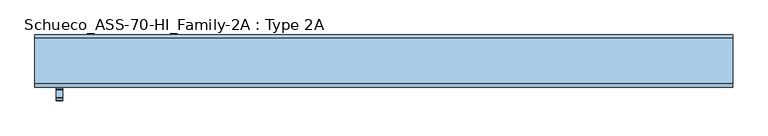
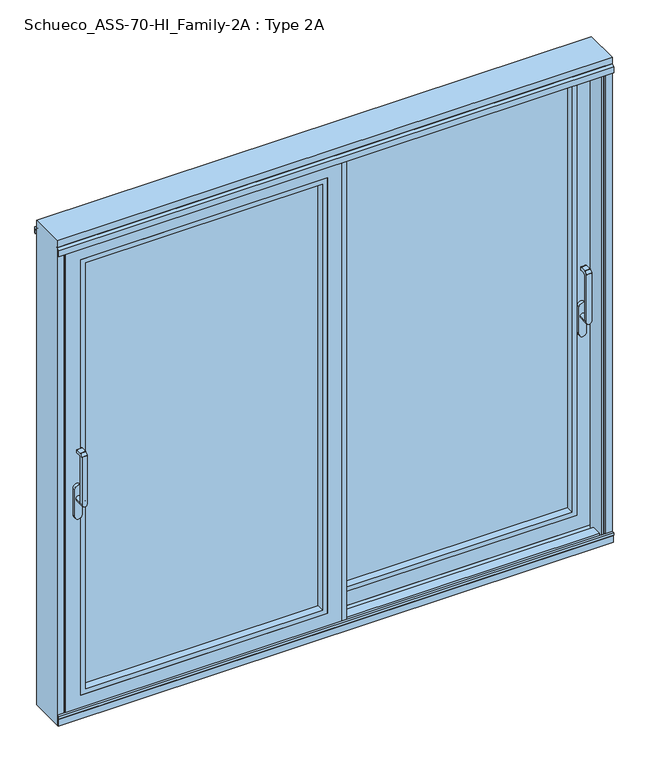
"""IFC4 building model written with IfcOpenShell, lengths in millimetres: window geometry, Schueco_ASS-70-HI_Family-2A : Type 2A."""

from ifc_helpers import new_model, si_unit, point, frame, frame_2d, origin, place, context, project, spatial, polyline, circle_curve, trimmed, segment, composite_curve, outline, extrude, faceted_brep, source, transform, mapped, element, save
from ifc_brep_helpers import plane_surface, cylinder_surface, revolved_surface, advanced_brep


def schueco_ass_70_hi_family_2a_type_2a_b28b3c16(model_context):
    return source(origin(), model_context, "Body", "SolidModel", [
        advanced_brep(
        [(1164.9498734, 18.0325359, 1004.0), (1164.9498734, 18.0325359, 1229.2360009), (1140.9498734, 18.0325359, 1229.2360009), (1140.9498734, 18.0325359, 1004.0), (1164.9498734, 66.0325359, 1004.005052), (1140.9498734, 66.0325359, 1004.005052), (1140.9498734, 30.0325359, 1004.005052), (1164.9498734, 30.0325359, 1004.005052), (1140.9498734, 18.6183224, 1230.6502145), (1140.9498734, 29.3823825, 1241.4142746), (1140.9498734, 30.796596, 1242.000061), (1140.9498734, 58.0325359, 1242.000061), (1140.9498734, 60.0325359, 1240.000061), (1140.9498734, 60.0325359, 1229.000061), (1140.9498734, 58.0325359, 1227.000061), (1140.9498734, 37.3831959, 1227.000061), (1140.9498734, 30.0325359, 1219.6494011), (1164.9498734, 30.0325359, 1219.6494011), (1164.9498734, 37.3831959, 1227.000061), (1164.9498734, 58.0325359, 1227.000061), (1164.9498734, 60.0325359, 1229.000061), (1164.9498734, 60.0325359, 1240.000061), (1164.9498734, 58.0325359, 1242.000061), (1164.9498734, 30.796596, 1242.000061), (1164.9498734, 29.3823825, 1241.4142746), (1164.9498734, 18.6183224, 1230.6502145)],
        [
            (0, 1),
            (1, 2),
            (2, 3),
            (3, 0, circle_curve(frame((1152.9498734, 18.0325359, 1004.005052), z_axis=(0.0, -1.0, 0.0), x_axis=(-1.0, 0.0, 0.0)), 12.0)),
            (4, 5, circle_curve(frame((1152.9498734, 66.0325359, 1004.005052), z_axis=(0.0, 1.0, 0.0), x_axis=(-1.0, 0.0, 0.0)), 12.0)),
            (5, 4, circle_curve(frame((1152.9498734, 66.0325359, 1004.005052), z_axis=(0.0, 1.0, 0.0), x_axis=(-1.0, 0.0, 0.0)), 12.0)),
            (3, 6),
            (6, 5),
            (4, 7),
            (7, 0),
            (6, 7, circle_curve(frame((1152.9498734, 30.0325359, 1004.005052), z_axis=(0.0, 1.0, 0.0), x_axis=(-1.0, 0.0, 0.0)), 12.0)),
            (2, 8, circle_curve(frame((1140.9498734, 20.0325359, 1229.2360009), z_axis=(-1.0, 0.0, 0.0), x_axis=(0.0, 0.0, -1.0)), 2.0)),
            (8, 9),
            (9, 10, circle_curve(frame((1140.9498734, 30.796596, 1240.000061), z_axis=(-1.0, 0.0, 0.0), x_axis=(0.0, 0.0, -1.0)), 2.0)),
            (10, 11),
            (11, 12, circle_curve(frame((1140.9498734, 58.0325359, 1240.000061), z_axis=(-1.0, 0.0, 0.0), x_axis=(0.0, 0.0, -1.0)), 2.0)),
            (12, 13),
            (13, 14, circle_curve(frame((1140.9498734, 58.0325359, 1229.000061), z_axis=(-1.0, 0.0, 0.0), x_axis=(0.0, 0.0, -1.0)), 2.0)),
            (14, 15),
            (15, 16, circle_curve(frame((1140.9498734, 37.3831959, 1219.6494011), z_axis=(1.0, 0.0, 0.0), x_axis=(0.0, 0.0, -1.0)), 7.35066)),
            (16, 6),
            (7, 17),
            (17, 18, circle_curve(frame((1164.9498734, 37.3831959, 1219.6494011), z_axis=(-1.0, 0.0, 0.0), x_axis=(0.0, 0.0, -1.0)), 7.35066)),
            (18, 19),
            (19, 20, circle_curve(frame((1164.9498734, 58.0325359, 1229.000061), z_axis=(1.0, 0.0, 0.0), x_axis=(0.0, 0.0, -1.0)), 2.0)),
            (20, 21),
            (21, 22, circle_curve(frame((1164.9498734, 58.0325359, 1240.000061), z_axis=(1.0, 0.0, 0.0), x_axis=(0.0, 0.0, -1.0)), 2.0)),
            (22, 23),
            (23, 24, circle_curve(frame((1164.9498734, 30.796596, 1240.000061), z_axis=(1.0, 0.0, 0.0), x_axis=(0.0, 0.0, -1.0)), 2.0)),
            (24, 25),
            (25, 1, circle_curve(frame((1164.9498734, 20.0325359, 1229.2360009), z_axis=(1.0, 0.0, 0.0), x_axis=(0.0, 0.0, -1.0)), 2.0)),
            (16, 17),
            (15, 18),
            (14, 19),
            (13, 20),
            (12, 21),
            (11, 22),
            (10, 23),
            (9, 24),
            (8, 25),
        ],
        [
            plane_surface(frame((1140.9498734, 18.0325359, 1004.005052), z_axis=(0.0, -1.0, 0.0), x_axis=(0.0, 0.0, 1.0))),
            plane_surface(frame((1140.9498734, 66.0325359, 1004.005052), z_axis=(0.0, 1.0, 0.0), x_axis=(0.0, 0.0, -1.0))),
            cylinder_surface(frame((1152.9498734, 66.0325359, 1004.005052), z_axis=(0.0, -1.0, 0.0), x_axis=(-1.0, 0.0, 0.0)), 12.0),
            plane_surface(frame((1140.9498734, 18.0325359, 1009.7503433), z_axis=(-1.0, 0.0, 0.0), x_axis=(0.0, 0.0, -1.0))),
            plane_surface(frame((1164.9498734, 18.0325359, 1009.7503433), z_axis=(1.0, 0.0, 0.0), x_axis=(0.0, 0.0, 1.0))),
            plane_surface(frame((1140.9498734, 30.0325359, 1004.0), z_axis=(0.0, 1.0, 0.0), x_axis=(1.0, 0.0, 0.0))),
            revolved_surface(polyline([(1164.9498734, 37.3831959, 1212.2987411), (1140.9498734, 37.3831959, 1212.2987411)]), (1164.9498734, 37.3831959, 1219.6494011), (1.0, 0.0, 0.0)),
            plane_surface(frame((1140.9498734, 37.3831959, 1227.000061), z_axis=(0.0, 0.0, -1.0), x_axis=(1.0, 0.0, 0.0))),
            cylinder_surface(frame((1164.9498734, 58.0325359, 1229.000061), z_axis=(-1.0, 0.0, 0.0), x_axis=(0.0, 0.0, -1.0)), 2.0),
            plane_surface(frame((1140.9498734, 60.0325359, 1229.000061), z_axis=(0.0, 1.0, 0.0), x_axis=(1.0, 0.0, 0.0))),
            cylinder_surface(frame((1164.9498734, 58.0325359, 1240.000061), z_axis=(-1.0, 0.0, 0.0), x_axis=(0.0, 0.0, -1.0)), 2.0),
            plane_surface(frame((1140.9498734, 58.0325359, 1242.000061), z_axis=(0.0, 0.0, 1.0), x_axis=(1.0, 0.0, 0.0))),
            cylinder_surface(frame((1164.9498734, 30.796596, 1240.000061), z_axis=(-1.0, 0.0, 0.0), x_axis=(0.0, 0.0, -1.0)), 2.0),
            plane_surface(frame((1140.9498734, 29.3823825, 1241.4142746), z_axis=(0.0, -0.7071067811865422, 0.7071067811865528), x_axis=(1.0, 0.0, 0.0))),
            cylinder_surface(frame((1164.9498734, 20.0325359, 1229.2360009), z_axis=(-1.0, 0.0, 0.0), x_axis=(0.0, 0.0, -1.0)), 2.0),
        ],
        [
            (0, [[1, 2, 3, 4]]),
            (1, [[5, 6]]),
            (2, [[7, 8, -5, 9, 10, -4]]),
            (2, [[-8, 11, -9, -6]]),
            (3, [[12, 13, 14, 15, 16, 17, 18, 19, 20, 21, -7, -3]]),
            (4, [[-1, -10, 22, 23, 24, 25, 26, 27, 28, 29, 30, 31]]),
            (5, [[32, -22, -11, -21]]),
            (6, [[33, -23, -32, -20]]),
            (7, [[34, -24, -33, -19]]),
            (8, [[35, -25, -34, -18]]),
            (9, [[36, -26, -35, -17]]),
            (10, [[37, -27, -36, -16]]),
            (11, [[38, -28, -37, -15]]),
            (12, [[39, -29, -38, -14]]),
            (13, [[40, -30, -39, -13]]),
            (14, [[-2, -31, -40, -12]]),
        ],
    ),
        extrude(outline(composite_curve([segment(polyline([(922.2823932, 1169.6998734), (1049.0099288, 1169.6998734)]), True, "CONTINUOUS"), segment(trimmed(circle_curve(frame_2d((1049.0099288, 1152.9498734)), 16.75), [point((1049.0099288, 1169.6998734))], [point((1049.0099288, 1136.1998734))], False, "CARTESIAN"), True, "CONTINUOUS"), segment(polyline([(1049.0099288, 1136.1998734), (922.2823932, 1136.1998734)]), True, "CONTINUOUS"), segment(trimmed(circle_curve(frame_2d((922.2823932, 1152.9498734)), 16.75), [point((922.2823932, 1136.1998734))], [point((922.2823932, 1169.6998734))], False, "CARTESIAN"), True, "CONTINUOUS")], self_intersect=False)), frame((0.0, 66.0325359, 0.0), z_axis=(0.0, 1.0, 0.0), x_axis=(0.0, 0.0, 1.0)), (0.0, 0.0, 1.0), 13.9999695),
        extrude(outline(polyline([(-34.0016236, 150.0), (-34.0016236, 144.5000331), (-50.201528, 144.5000331), (-50.201528, 80.0102083), (0.0, 80.0102083), (0.0, 65.7878184), (-54.0015931, 65.7878184), (-54.0015931, 150.0), (-34.0016236, 150.0)])), frame((0.0, 0.0, -6.9999052), z_axis=(0.0, 0.0, 1.0), x_axis=(1.0, 0.0, 0.0)), (0.0, 0.0, 1.0), 2187.9998104),
        extrude(outline(polyline([(2114.8998417, 1134.8998417), (2114.8998417, 32.1001583), (59.1001583, 32.1001583), (59.1001583, 1134.8998417), (2114.8998417, 1134.8998417)]), holes=[polyline([(2092.899857, 54.100143), (2092.899857, 1112.899857), (81.100143, 1112.899857), (81.100143, 54.100143), (2092.899857, 54.100143)])]), frame((0.0, 80.0102083, 0.0), z_axis=(0.0, 1.0, 0.0), x_axis=(0.0, 0.0, 1.0)), (0.0, 0.0, 1.0), 35.0222836),
        extrude(outline(polyline([(40.0984318, 115.0324919), (40.0984318, 141.0223361), (1126.9015682, 141.0223361), (1126.9015682, 115.0324919), (40.0984318, 115.0324919)])), frame((0.0, 0.0, 67.0984318), z_axis=(0.0, 0.0, 1.0), x_axis=(1.0, 0.0, 0.0)), (0.0, 0.0, 1.0), 2039.8031365),
        faceted_brep([(1201.0016236, 144.5000331, 2181.0016236), (1201.0016236, 144.5000331, -7.0016236), (1201.0016236, 150.0, -7.0016236), (1201.0016236, 150.0, 2181.0016236), (-34.0016236, 150.0, 2181.0016236), (-34.0016236, 150.0, -7.0016236), (1113.0016236, 150.0, 2093.0016236), (53.9983764, 150.0, 2093.0016236), (53.9983764, 150.0, 80.9983764), (1113.0016236, 150.0, 80.9983764), (-34.0016236, 144.5000331, -7.0016236), (-34.0016236, 144.5000331, 2181.0016236), (-3.9999052, 144.5000331, 2150.9999052), (1170.9999052, 144.5000331, 2150.9999052), (1170.9999052, 144.5000331, 23.0000948), (-3.9999052, 144.5000331, 23.0000948), (1170.9999052, 85.5102083, 2150.9999052), (1170.9999052, 85.5102083, 23.0000948), (-3.9999052, 85.5102083, 23.0000948), (-33.9999052, 85.5102083, 2180.9999052), (1200.9999052, 85.5102083, 2180.9999052), (1200.9999052, 85.5102083, -6.9999052), (-33.9999052, 85.5102083, -6.9999052), (-3.9999052, 85.5102083, 2150.9999052), (1200.9999052, 80.0102083, 2180.9999052), (1200.9999052, 80.0102083, -6.9999052), (-33.9999052, 80.0102083, -6.9999052), (-33.9999052, 80.0102083, 2180.9999052), (32.1001583, 80.0102083, 2114.8998417), (1134.8998417, 80.0102083, 2114.8998417), (1134.8998417, 80.0102083, 59.1001583), (32.1001583, 80.0102083, 59.1001583), (1126.9015682, 141.0223361, 2106.9015682), (1126.9015682, 141.0223361, 67.0984318), (1126.9015682, 115.0223361, 67.0984318), (1126.9015682, 115.0223361, 2106.9015682), (1134.8998417, 115.0223361, 2114.8998417), (32.1001583, 115.0223361, 2114.8998417), (32.1001583, 115.0223361, 59.1001583), (1134.8998417, 115.0223361, 59.1001583), (40.0984318, 115.0223361, 2106.9015682), (40.0984318, 115.0223361, 67.0984318), (40.0984318, 141.0223361, 67.0984318), (40.0984318, 141.0223361, 2106.9015682), (53.9983764, 141.0223361, 2093.0016236), (1113.0016236, 141.0223361, 2093.0016236), (1113.0016236, 141.0223361, 80.9983764), (53.9983764, 141.0223361, 80.9983764)], [[[0, 1, 2, 3]], [[4, 3, 2, 5], [6, 7, 8, 9]], [[1, 10, 5, 2]], [[0, 11, 10, 1], [12, 13, 14, 15]], [[16, 17, 14, 13]], [[17, 18, 15, 14]], [[19, 20, 21, 22], [16, 23, 18, 17]], [[24, 25, 21, 20]], [[25, 26, 22, 21]], [[24, 27, 26, 25], [28, 29, 30, 31]], [[32, 33, 34, 35]], [[36, 37, 38, 39], [40, 35, 34, 41]], [[33, 42, 41, 34]], [[32, 43, 42, 33], [44, 45, 46, 47]], [[6, 9, 46, 45]], [[9, 8, 47, 46]], [[10, 11, 4, 5]], [[18, 23, 12, 15]], [[26, 27, 19, 22]], [[42, 43, 40, 41]], [[8, 7, 44, 47]], [[38, 37, 28, 31]], [[39, 38, 31, 30]], [[36, 39, 30, 29]], [[11, 0, 3, 4]], [[23, 16, 13, 12]], [[27, 24, 20, 19]], [[43, 32, 35, 40]], [[7, 6, 45, 44]], [[37, 36, 29, 28]]]),
        advanced_brep(
        [(-1164.9498734, -71.9999695, 1004.005052), (-1140.9498734, -71.9999695, 1004.005052), (-1140.9498734, -71.9999695, 1229.2360009), (-1164.9498734, -71.9999695, 1229.2360009), (-1164.9498734, -23.9999695, 1004.005052), (-1140.9498734, -23.9999695, 1004.005052), (-1164.9498734, -59.9999695, 1004.005052), (-1140.9498734, -59.9999695, 1004.005052), (-1140.9498734, -59.9999695, 1219.6494011), (-1140.9498734, -52.6493095, 1227.000061), (-1140.9498734, -31.9999695, 1227.000061), (-1140.9498734, -29.9999695, 1229.000061), (-1140.9498734, -29.9999695, 1240.000061), (-1140.9498734, -31.9999695, 1242.000061), (-1140.9498734, -59.2359094, 1242.000061), (-1140.9498734, -60.6501229, 1241.4142746), (-1140.9498734, -71.414183, 1230.6502145), (-1164.9498734, -71.414183, 1230.6502145), (-1164.9498734, -60.6501229, 1241.4142746), (-1164.9498734, -59.2359094, 1242.000061), (-1164.9498734, -31.9999695, 1242.000061), (-1164.9498734, -29.9999695, 1240.000061), (-1164.9498734, -29.9999695, 1229.000061), (-1164.9498734, -31.9999695, 1227.000061), (-1164.9498734, -52.6493095, 1227.000061), (-1164.9498734, -59.9999695, 1219.6494011)],
        [
            (0, 1, circle_curve(frame((-1152.9498734, -71.9999695, 1004.005052), z_axis=(0.0, -1.0, 0.0), x_axis=(1.0, 0.0, 0.0)), 12.0)),
            (1, 2),
            (2, 3),
            (3, 0),
            (4, 5, circle_curve(frame((-1152.9498734, -23.9999695, 1004.005052), z_axis=(0.0, 1.0, 0.0), x_axis=(1.0, 0.0, 0.0)), 12.0)),
            (5, 4, circle_curve(frame((-1152.9498734, -23.9999695, 1004.005052), z_axis=(0.0, 1.0, 0.0), x_axis=(1.0, 0.0, 0.0)), 12.0)),
            (0, 6),
            (6, 4),
            (5, 7),
            (7, 1),
            (6, 7, circle_curve(frame((-1152.9498734, -59.9999695, 1004.005052), z_axis=(0.0, 1.0, 0.0), x_axis=(1.0, 0.0, 0.0)), 12.0)),
            (7, 8),
            (8, 9, circle_curve(frame((-1140.9498734, -52.6493095, 1219.6494011), z_axis=(-1.0, 0.0, 0.0), x_axis=(0.0, 0.0, -1.0)), 7.35066)),
            (9, 10),
            (10, 11, circle_curve(frame((-1140.9498734, -31.9999695, 1229.000061), z_axis=(1.0, 0.0, 0.0), x_axis=(0.0, 0.0, -1.0)), 2.0)),
            (11, 12),
            (12, 13, circle_curve(frame((-1140.9498734, -31.9999695, 1240.000061), z_axis=(1.0, 0.0, 0.0), x_axis=(0.0, 0.0, -1.0)), 2.0)),
            (13, 14),
            (14, 15, circle_curve(frame((-1140.9498734, -59.2359094, 1240.000061), z_axis=(1.0, 0.0, 0.0), x_axis=(0.0, 0.0, -1.0)), 2.0)),
            (15, 16),
            (16, 2, circle_curve(frame((-1140.9498734, -69.9999695, 1229.2360009), z_axis=(1.0, 0.0, 0.0), x_axis=(0.0, 0.0, -1.0)), 2.0)),
            (3, 17, circle_curve(frame((-1164.9498734, -69.9999695, 1229.2360009), z_axis=(-1.0, 0.0, 0.0), x_axis=(0.0, 0.0, -1.0)), 2.0)),
            (17, 18),
            (18, 19, circle_curve(frame((-1164.9498734, -59.2359094, 1240.000061), z_axis=(-1.0, 0.0, 0.0), x_axis=(0.0, 0.0, -1.0)), 2.0)),
            (19, 20),
            (20, 21, circle_curve(frame((-1164.9498734, -31.9999695, 1240.000061), z_axis=(-1.0, 0.0, 0.0), x_axis=(0.0, 0.0, -1.0)), 2.0)),
            (21, 22),
            (22, 23, circle_curve(frame((-1164.9498734, -31.9999695, 1229.000061), z_axis=(-1.0, 0.0, 0.0), x_axis=(0.0, 0.0, -1.0)), 2.0)),
            (23, 24),
            (24, 25, circle_curve(frame((-1164.9498734, -52.6493095, 1219.6494011), z_axis=(1.0, 0.0, 0.0), x_axis=(0.0, 0.0, -1.0)), 7.35066)),
            (25, 6),
            (25, 8),
            (24, 9),
            (23, 10),
            (22, 11),
            (21, 12),
            (20, 13),
            (19, 14),
            (18, 15),
            (17, 16),
        ],
        [
            plane_surface(frame((-1140.9498734, -71.9999695, 1004.005052), z_axis=(0.0, -1.0, 0.0), x_axis=(0.0, 0.0, 1.0))),
            plane_surface(frame((-1140.9498734, -23.9999695, 1004.005052), z_axis=(0.0, 1.0, 0.0), x_axis=(0.0, 0.0, -1.0))),
            cylinder_surface(frame((-1152.9498734, -23.9999695, 1004.005052), z_axis=(0.0, -1.0, 0.0), x_axis=(1.0, 0.0, 0.0)), 12.0),
            plane_surface(frame((-1140.9498734, -71.9999695, 1009.7503433), z_axis=(1.0, 0.0, 0.0), x_axis=(0.0, 0.0, -1.0))),
            plane_surface(frame((-1164.9498734, -71.9999695, 1009.7503433), z_axis=(-1.0, 0.0, 0.0), x_axis=(0.0, 0.0, 1.0))),
            plane_surface(frame((-1140.9498734, -59.9999695, 1004.0), z_axis=(0.0, 1.0, 0.0), x_axis=(-1.0, 0.0, 0.0))),
            revolved_surface(polyline([(-1164.9498734, -52.6493095, 1212.2987411), (-1140.9498734, -52.6493095, 1212.2987411)]), (-1164.9498734, -52.6493095, 1219.6494011), (-1.0, 0.0, 0.0)),
            plane_surface(frame((-1140.9498734, -52.6493095, 1227.000061), z_axis=(0.0, 0.0, -1.0), x_axis=(-1.0, 0.0, 0.0))),
            cylinder_surface(frame((-1164.9498734, -31.9999695, 1229.000061), z_axis=(1.0, 0.0, 0.0), x_axis=(0.0, 0.0, -1.0)), 2.0),
            plane_surface(frame((-1140.9498734, -29.9999695, 1229.000061), z_axis=(0.0, 1.0, 0.0), x_axis=(-1.0, 0.0, 0.0))),
            cylinder_surface(frame((-1164.9498734, -31.9999695, 1240.000061), z_axis=(1.0, 0.0, 0.0), x_axis=(0.0, 0.0, -1.0)), 2.0),
            plane_surface(frame((-1140.9498734, -31.9999695, 1242.000061), z_axis=(0.0, 0.0, 1.0), x_axis=(-1.0, 0.0, 0.0))),
            cylinder_surface(frame((-1164.9498734, -59.2359094, 1240.000061), z_axis=(1.0, 0.0, 0.0), x_axis=(0.0, 0.0, -1.0)), 2.0),
            plane_surface(frame((-1140.9498734, -60.6501229, 1241.4142746), z_axis=(0.0, -0.7071067811865422, 0.7071067811865528), x_axis=(-1.0, 0.0, 0.0))),
            cylinder_surface(frame((-1164.9498734, -69.9999695, 1229.2360009), z_axis=(1.0, 0.0, 0.0), x_axis=(0.0, 0.0, -1.0)), 2.0),
        ],
        [
            (0, [[1, 2, 3, 4]]),
            (1, [[5, 6]]),
            (2, [[-1, 7, 8, -6, 9, 10]]),
            (2, [[-5, -8, 11, -9]]),
            (3, [[-2, -10, 12, 13, 14, 15, 16, 17, 18, 19, 20, 21]]),
            (4, [[22, 23, 24, 25, 26, 27, 28, 29, 30, 31, -7, -4]]),
            (5, [[-12, -11, -31, 32]]),
            (6, [[-13, -32, -30, 33]]),
            (7, [[-14, -33, -29, 34]]),
            (8, [[-15, -34, -28, 35]]),
            (9, [[-16, -35, -27, 36]]),
            (10, [[-17, -36, -26, 37]]),
            (11, [[-18, -37, -25, 38]]),
            (12, [[-19, -38, -24, 39]]),
            (13, [[-20, -39, -23, 40]]),
            (14, [[-21, -40, -22, -3]]),
        ],
    ),
        extrude(outline(composite_curve([segment(trimmed(circle_curve(frame_2d((922.2823932, -1152.9498734)), 16.75), [point((922.2823932, -1169.6998734))], [point((922.2823932, -1136.1998734))], False, "CARTESIAN"), True, "CONTINUOUS"), segment(polyline([(922.2823932, -1136.1998734), (1049.0099288, -1136.1998734)]), True, "CONTINUOUS"), segment(trimmed(circle_curve(frame_2d((1049.0099288, -1152.9498734)), 16.75), [point((1049.0099288, -1136.1998734))], [point((1049.0099288, -1169.6998734))], False, "CARTESIAN"), True, "CONTINUOUS"), segment(polyline([(1049.0099288, -1169.6998734), (922.2823932, -1169.6998734)]), True, "CONTINUOUS")], self_intersect=False)), frame((0.0, -23.9999695, 0.0), z_axis=(0.0, 1.0, 0.0), x_axis=(0.0, 0.0, 1.0)), (0.0, 0.0, 1.0), 13.9999695),
        extrude(outline(polyline([(2114.8998417, -1134.8998417), (59.1001583, -1134.8998417), (59.1001583, -32.1001583), (2114.8998417, -32.1001583), (2114.8998417, -1134.8998417)]), holes=[polyline([(2092.899857, -54.100143), (81.100143, -54.100143), (81.100143, -1112.899857), (2092.899857, -1112.899857), (2092.899857, -54.100143)])]), frame((0.0, -10.0222971, 0.0), z_axis=(0.0, 1.0, 0.0), x_axis=(0.0, 0.0, 1.0)), (0.0, 0.0, 1.0), 35.0222836),
        extrude(outline(polyline([(-40.0984318, 24.9999865), (-1126.9015682, 24.9999865), (-1126.9015682, 50.9898307), (-40.0984318, 50.9898307), (-40.0984318, 24.9999865)])), frame((0.0, 0.0, 67.0984318), z_axis=(0.0, 0.0, 1.0), x_axis=(1.0, 0.0, 0.0)), (0.0, 0.0, 1.0), 2039.8031365),
        extrude(outline(polyline([(54.0015931, -10.0222971), (34.0016236, -10.0222971), (34.0016236, -4.5223302), (50.201528, -4.5223302), (50.201528, 59.9674946), (0.0, 59.9674946), (0.0, 74.1898845), (54.0015931, 74.1898845), (54.0015931, -10.0222971)])), frame((0.0, 0.0, -6.9999052), z_axis=(0.0, 0.0, 1.0), x_axis=(1.0, 0.0, 0.0)), (0.0, 0.0, 1.0), 2187.9998104),
        faceted_brep([(-1201.0016236, 54.4675277, 2181.0016236), (-1201.0016236, 59.9674946, 2181.0016236), (-1201.0016236, 59.9674946, -7.0016236), (-1201.0016236, 54.4675277, -7.0016236), (34.0016236, 59.9674946, 2181.0016236), (34.0016236, 59.9674946, -7.0016236), (-1113.0016236, 59.9674946, 2093.0016236), (-1113.0016236, 59.9674946, 80.9983764), (-53.9983764, 59.9674946, 80.9983764), (-53.9983764, 59.9674946, 2093.0016236), (34.0016236, 54.4675277, -7.0016236), (34.0016236, 54.4675277, 2181.0016236), (3.9999052, 54.4675277, 2150.9999052), (3.9999052, 54.4675277, 23.0000948), (-1170.9999052, 54.4675277, 23.0000948), (-1170.9999052, 54.4675277, 2150.9999052), (-1170.9999052, -4.5222971, 2150.9999052), (-1170.9999052, -4.5222971, 23.0000948), (3.9999052, -4.5222971, 23.0000948), (33.9999052, -4.5222971, 2180.9999052), (33.9999052, -4.5222971, -6.9999052), (-1200.9999052, -4.5222971, -6.9999052), (-1200.9999052, -4.5222971, 2180.9999052), (3.9999052, -4.5222971, 2150.9999052), (-1200.9999052, -10.0222971, 2180.9999052), (-1200.9999052, -10.0222971, -6.9999052), (33.9999052, -10.0222971, -6.9999052), (33.9999052, -10.0222971, 2180.9999052), (-32.1001583, -10.0222971, 2114.8998417), (-32.1001583, -10.0222971, 59.1001583), (-1134.8998417, -10.0222971, 59.1001583), (-1134.8998417, -10.0222971, 2114.8998417), (-1126.9015682, 50.9898307, 2106.9015682), (-1126.9015682, 24.9898307, 2106.9015682), (-1126.9015682, 24.9898307, 67.0984318), (-1126.9015682, 50.9898307, 67.0984318), (-1134.8998417, 24.9898307, 2114.8998417), (-1134.8998417, 24.9898307, 59.1001583), (-32.1001583, 24.9898307, 59.1001583), (-32.1001583, 24.9898307, 2114.8998417), (-40.0984318, 24.9898307, 2106.9015682), (-40.0984318, 24.9898307, 67.0984318), (-40.0984318, 50.9898307, 67.0984318), (-40.0984318, 50.9898307, 2106.9015682), (-53.9983764, 50.9898307, 2093.0016236), (-53.9983764, 50.9898307, 80.9983764), (-1113.0016236, 50.9898307, 80.9983764), (-1113.0016236, 50.9898307, 2093.0016236)], [[[0, 1, 2, 3]], [[4, 5, 2, 1], [6, 7, 8, 9]], [[3, 2, 5, 10]], [[0, 3, 10, 11], [12, 13, 14, 15]], [[16, 15, 14, 17]], [[17, 14, 13, 18]], [[19, 20, 21, 22], [16, 17, 18, 23]], [[24, 22, 21, 25]], [[25, 21, 20, 26]], [[24, 25, 26, 27], [28, 29, 30, 31]], [[32, 33, 34, 35]], [[36, 37, 38, 39], [40, 41, 34, 33]], [[35, 34, 41, 42]], [[32, 35, 42, 43], [44, 45, 46, 47]], [[6, 47, 46, 7]], [[7, 46, 45, 8]], [[10, 5, 4, 11]], [[18, 13, 12, 23]], [[26, 20, 19, 27]], [[42, 41, 40, 43]], [[8, 45, 44, 9]], [[38, 29, 28, 39]], [[37, 30, 29, 38]], [[36, 31, 30, 37]], [[11, 4, 1, 0]], [[23, 12, 15, 16]], [[27, 19, 22, 24]], [[43, 40, 33, 32]], [[9, 44, 47, 6]], [[39, 28, 31, 36]]]),
        extrude(outline(polyline([(-1191.0160727, 150.0), (-1191.0160727, 65.7287223), (-1209.0321213, 65.7287223), (-1209.0321213, 74.1898845), (-1193.0, 74.1898845), (-1193.0, 141.2), (-1200.9999052, 141.2), (-1200.9999052, 150.0), (-1191.0160727, 150.0)])), frame((0.0, 0.0, -15.0), z_axis=(0.0, 0.0, 1.0), x_axis=(1.0, 0.0, 0.0)), (0.0, 0.0, 1.0), 2188.0000489),
        extrude(outline(polyline([(1191.0161552, 74.2712776), (1209.0322039, 74.2712776), (1209.0322039, 65.8101155), (1193.0000826, 65.8101155), (1193.0000826, -1.2), (1200.9999878, -1.2), (1200.9999878, -10.0), (1191.0161552, -10.0), (1191.0161552, 74.2712776)])), frame((0.0, 0.0, -14.9999878), z_axis=(0.0, 0.0, 1.0), x_axis=(1.0, 0.0, 0.0)), (0.0, 0.0, 1.0), 2195.999893),
        faceted_brep([(-1240.0, 149.9799122, 2240.0), (-1240.0, 150.0, -46.0), (-1240.0, -10.0, -46.0), (-1240.0, -10.0, 2240.0), (1240.0, -10.0, -46.0), (1240.0, -10.0, 2240.0), (1208.9999878, -10.0, 2209.0000341), (1208.9999878, -10.0, -14.9999878), (-1208.9999878, -10.0, -14.9999878), (-1208.9999878, -10.0, 2209.0000341), (1240.0, 149.9799122, 2240.0), (1240.0, 149.9799122, -46.0), (-1209.0, 149.9799122, 2209.0000341), (-1209.0, 149.9799122, -15.0), (1209.0, 149.9799122, -15.0), (1209.0, 149.9799122, 2209.0000341), (-1193.0, 48.300567, 1.0), (-1193.0, 1.7117574, 1.0), (1193.0, 1.7117574, 1.0), (1193.0, 48.300567, 1.0), (-1209.0, 141.2, -15.0), (1209.0, 141.2, -15.0), (1208.9999878, -1.2, -14.9999878), (-1208.9999878, -1.2, -14.9999878), (-1193.0, 91.6994085, 1.0), (1193.0, 91.6994085, 1.0), (1193.0, 138.300567, 1.0), (-1193.0, 138.300567, 1.0), (1200.9661267, 141.2, -6.9661267), (-1200.9661267, 141.2, -6.9661267), (-1200.9661267, 88.7999755, -6.9661267), (1200.9661267, 88.7999755, -6.9661267), (-1209.0321213, 51.2, -15.0321213), (1209.0321213, 51.2, -15.0321213), (1209.0321213, 88.7999755, -15.0321213), (-1209.0321213, 88.7999755, -15.0321213), (1200.9661267, 51.2, -6.9661267), (-1200.9661267, 51.2, -6.9661267), (-1193.0, 44.0436655, 2205.1913198), (-1193.0, 48.300567, 2205.1913198), (-1200.9661267, 51.2, 2205.1913198), (-1209.0321213, 51.2, 2205.1913198), (-1209.0321213, 88.7999755, 2205.1913198), (-1200.9661267, 88.7999755, 2205.1913198), (-1193.0, 91.6994085, 2205.1913198), (-1193.0, 95.9362468, 2205.1913198), (1193.0, 95.9362468, 2205.1913198), (1193.0, 91.6994085, 2205.1913198), (1200.9661267, 88.7999755, 2205.1913198), (1209.0321213, 88.7999755, 2205.1913198), (1209.0321213, 51.2, 2205.1913198), (1200.9661267, 51.2, 2205.1913198), (1193.0, 48.300567, 2205.1913198), (1193.0, 44.0436655, 2205.1913198), (1209.0, 141.2, 2209.0000341), (1200.9661267, 141.2, 2209.0000341), (1200.3614407, 140.9799122, 2209.0000341), (-1200.3614407, 140.9799122, 2209.0000341), (-1200.9661267, 141.2, 2209.0000341), (-1209.0, 141.2, 2209.0000341), (-1208.9999878, -1.2, 2209.0000341), (-1200.9999878, -1.2, 2209.0000341), (-1200.4504923, -1.0, 2209.0000341), (1200.4504923, -1.0, 2209.0000341), (1200.9999878, -1.2, 2209.0000341), (1208.9999878, -1.2, 2209.0000341), (-1193.0, 134.9837976, 2193.0), (-1193.0, 138.300567, 2193.0), (-1200.3614407, 140.9799122, 2193.0), (1200.3614407, 140.9799122, 2193.0), (1193.0, 138.300567, 2193.0), (1193.0, 134.9837976, 2193.0), (-1193.0, 134.9837976, 2184.2461635), (-1193.0, 138.300567, 2180.9293941), (-1193.0, 138.300567, 2173.0000489), (-1193.0, 91.6994085, 2173.0000489), (-1193.0, 91.6994085, 2180.4194362), (-1193.0, 95.9362468, 2184.6562744), (1193.0, 95.9362468, 2184.6562744), (1193.0, 91.6994085, 2180.4194362), (1193.0, 91.6994085, 2173.0000489), (1193.0, 138.300567, 2173.0000489), (1193.0, 138.300567, 2180.9293941), (1193.0, 134.9837976, 2184.2461635), (-1197.6139633, 139.9799122, 2179.2500488), (-1197.6139633, 139.9799122, 2173.0000489), (1197.6139633, 139.9799122, 2173.0000489), (1197.6139633, 139.9799122, 2179.2500488), (1196.3502391, 90.4800212, 2179.2000488), (1196.3502391, 90.4800212, 2173.0000489), (-1196.3502391, 90.4800212, 2173.0000489), (-1196.3502391, 90.4800212, 2179.2000488), (-1193.0, 48.300567, 2180.3993729), (-1196.2951159, 49.4998911, 2179.2000488), (-1196.2951159, 49.4998911, 2173.0000489), (-1193.0, 48.300567, 2173.0000489), (1193.0, 48.300567, 2173.0000489), (1196.2951159, 49.4998911, 2173.0000489), (1196.2951159, 49.4998911, 2179.2000488), (1193.0, 48.300567, 2180.3993729), (1200.9999878, -1.2, -6.9999878), (-1200.9999878, -1.2, -6.9999878), (1193.0, 1.7117574, 2173.0000489), (1193.0, 1.7117574, 2193.0), (1193.0, 4.9961146, 2193.0), (1193.0, 4.9961146, 2184.2461635), (1193.0, 1.7117574, 2180.9618063), (1193.0, 44.0436655, 2184.6562744), (-1193.0, 44.0436655, 2184.6562744), (-1193.0, 1.7117574, 2173.0000489), (-1193.0, 1.7117574, 2180.9618063), (-1193.0, 4.9961146, 2184.2461635), (-1193.0, 4.9961146, 2193.0), (-1193.0, 1.7117574, 2193.0), (1200.4504923, -1.0, 2193.0), (1197.7030149, 0.0, 2179.2500488), (1197.7030149, 0.0, 2173.0000489), (-1197.7030149, 0.0, 2173.0000489), (-1197.7030149, 0.0, 2179.2500488), (-1200.4504923, -1.0, 2193.0)], [[[0, 1, 2, 3]], [[2, 4, 5, 3], [6, 7, 8, 9]], [[0, 10, 11, 1], [12, 13, 14, 15]], [[5, 4, 11, 10]], [[16, 17, 18, 19]], [[20, 21, 14, 13]], [[8, 7, 22, 23]], [[24, 25, 26, 27]], [[26, 28, 29, 27]], [[24, 30, 31, 25]], [[32, 33, 34, 35]], [[16, 19, 36, 37]], [[5, 10, 0, 3]], [[38, 39, 40, 41, 42, 43, 44, 45, 46, 47, 48, 49, 50, 51, 52, 53]], [[15, 54, 55, 56, 57, 58, 59, 12]], [[9, 60, 61, 62, 63, 64, 65, 6]], [[66, 67, 68, 69, 70, 71]], [[1, 11, 4, 2]], [[21, 54, 15, 14]], [[13, 12, 59, 20]], [[23, 60, 9, 8]], [[7, 6, 65, 22]], [[67, 66, 72, 73]], [[27, 74, 75, 24]], [[76, 77, 45, 44]], [[47, 46, 78, 79]], [[25, 80, 81, 26]], [[82, 83, 71, 70]], [[20, 59, 58, 29, 28, 55, 54, 21]], [[29, 58, 57, 68, 67, 73, 84, 85, 74, 27]], [[26, 81, 86, 87, 82, 70, 69, 56, 55, 28]], [[31, 48, 47, 79, 88, 89, 80, 25]], [[30, 43, 42, 35, 34, 49, 48, 31]], [[24, 75, 90, 91, 76, 44, 43, 30]], [[35, 42, 41, 32]], [[33, 50, 49, 34]], [[32, 41, 40, 37, 36, 51, 50, 33]], [[37, 40, 39, 92, 93, 94, 95, 16]], [[19, 96, 97, 98, 99, 52, 51, 36]], [[22, 65, 64, 100, 101, 61, 60, 23]], [[18, 102, 96, 19]], [[103, 104, 105, 106]], [[99, 107, 53, 52]], [[17, 101, 100, 18]], [[39, 38, 108, 92]], [[16, 95, 109, 17]], [[110, 111, 112, 113]], [[100, 64, 63, 114, 103, 106, 115, 116, 102, 18]], [[17, 109, 117, 118, 110, 113, 119, 62, 61, 101]], [[53, 107, 108, 38]], [[45, 77, 78, 46]], [[56, 69, 68, 57]], [[114, 63, 62, 119]], [[119, 113, 112, 104, 103, 114]], [[112, 111, 105, 104]], [[111, 110, 118, 115, 106, 105]], [[118, 117, 116, 115]], [[117, 109, 95, 94, 97, 96, 102, 116]], [[94, 93, 98, 97]], [[93, 92, 108, 107, 99, 98]], [[77, 76, 91, 88, 79, 78]], [[91, 90, 89, 88]], [[90, 75, 74, 85, 86, 81, 80, 89]], [[85, 84, 87, 86]], [[84, 73, 72, 83, 82, 87]], [[71, 83, 72, 66]]]),
        extrude(outline(polyline([(158.5798866, 2193.0), (140.9799122, 2193.0), (140.9799122, 2209.0000341), (149.9799122, 2209.0000341), (162.5798866, 2201.7254355), (162.5798866, 2173.0000489), (158.5798866, 2173.0000489), (158.5798866, 2193.0)])), frame((-1240.0, 0.0, 0.0), z_axis=(1.0, 0.0, 0.0), x_axis=(0.0, 1.0, 0.0)), (0.0, 0.0, 1.0), 2480.0),
        extrude(outline(polyline([(-18.5999743, 2193.0), (-18.5999743, 2173.0000489), (-22.5999743, 2173.0000489), (-22.5999743, 2201.7254355), (-10.0, 2209.0000341), (-1.0, 2209.0000341), (-1.0, 2193.0), (-18.5999743, 2193.0)])), frame((-1240.0, 0.0, 0.0), z_axis=(1.0, 0.0, 0.0), x_axis=(0.0, 1.0, 0.0)), (0.0, 0.0, 1.0), 2480.0),
        extrude(outline(polyline([(-22.6000344, 0.960942), (-10.0, 0.960942), (-10.0, -46.0), (-18.0993105, -46.0), (-18.0993105, -15.3390921), (-22.6000344, -10.8383681), (-22.6000344, 0.960942)])), frame((-1240.0, 0.0, 0.0), z_axis=(1.0, 0.0, 0.0), x_axis=(0.0, 1.0, 0.0)), (0.0, 0.0, 1.0), 2480.0),
    ])


if __name__ == "__main__":
    model = new_model("IFC4")
    model_context = context("Model", 3, world=origin())
    ifc_project = project(units=[si_unit("LENGTHUNIT", "METRE", prefix="MILLI")], contexts=[model_context])
    site = spatial("IfcSite", under=ifc_project)
    building = spatial("IfcBuilding", under=site)
    placement = place(None, origin())
    schueco_ass_70_hi_family_2a_type_2a_shape = schueco_ass_70_hi_family_2a_type_2a_b28b3c16(model_context)
    element("IfcWindow", 1, ObjectType="Schueco_ASS-70-HI_Family-2A : Type 2A", at=placement, inside=building, context=model_context, shape_type="MappedRepresentation", body=[
        mapped(schueco_ass_70_hi_family_2a_type_2a_shape, transform((0.0, 0.0, 0.0), x_axis=(1.0, 0.0, 0.0), y_axis=(0.0, 1.0, 0.0), z_axis=(0.0, 0.0, 1.0))),
    ])
    save(model, "model.ifc")
